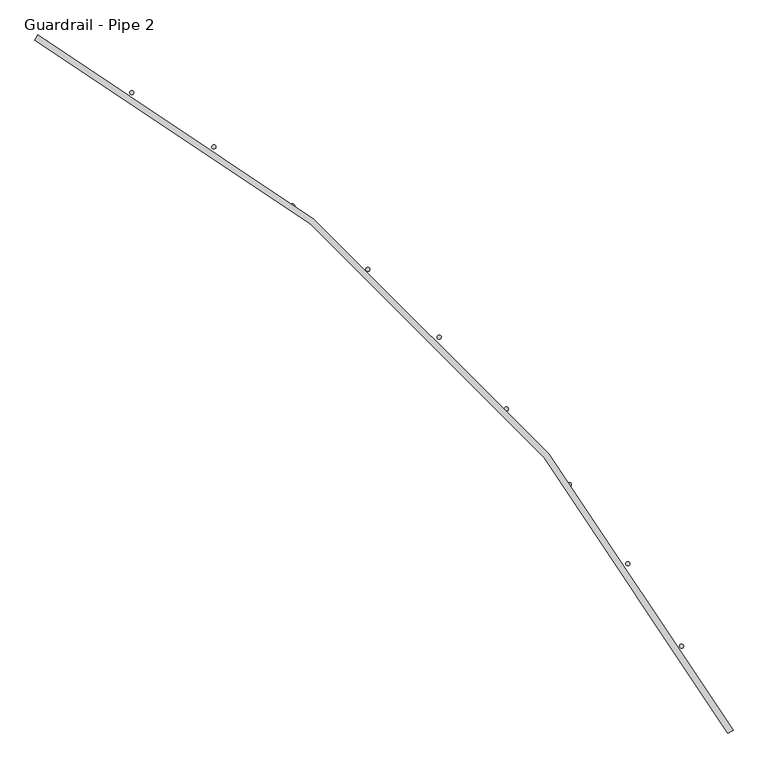
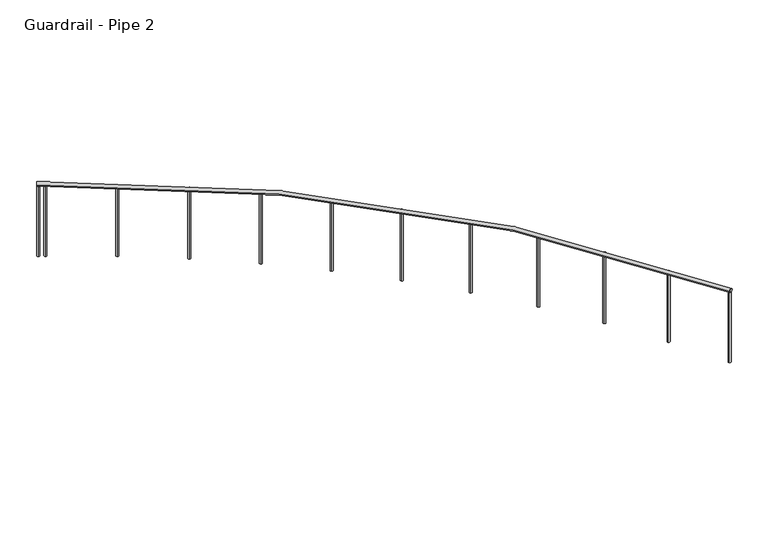
"""IFC4 building model written with IfcOpenShell, lengths in millimetres: railing geometry, Guardrail - Pipe 2."""

from ifc_helpers import new_model, si_unit, point, frame, frame_2d, origin, place, context, project, spatial, circle_curve, ellipse_curve, trimmed, segment, composite_curve, outline, extrude, source, transform, mapped, element, save
from ifc_brep_helpers import plane_surface, revolved_surface, advanced_brep


def guardrail_pipe_2_382d10c1(model_context):
    return source(origin(), model_context, "Body", "SolidModel", [
        advanced_brep(
        [(655055.048997, -250741.7639047, 5619.75), (659361.4695853, -255048.1844929, 5619.75), (659327.8519382, -255066.1139047, 5619.75), (655037.1195853, -250775.3815518, 5619.75)],
        [
            (0, 1, circle_curve(frame((650133.4254676, -259969.8080223, 5619.75), z_axis=(0.0, 0.0, -1.0), x_axis=(0.8823529411766796, 0.4705882352937256, 0.0)), 10458.45)),
            (1, 2, circle_curve(frame((659344.6607617, -255057.1491988, 5619.75), z_axis=(-0.47058823529372856, 0.8823529411766781, 0.0), x_axis=(-0.8823529411766781, -0.47058823529372856, 0.0)), 19.05)),
            (2, 3, circle_curve(frame((650133.4254676, -259969.8080223, 5619.75), z_axis=(0.0, 0.0, 1.0), x_axis=(0.8823529411766796, 0.4705882352937256, 0.0)), 10420.35)),
            (3, 0, circle_curve(frame((655046.0842911, -250758.5727282, 5619.75), z_axis=(0.8823529411766835, -0.47058823529371835, 0.0), x_axis=(-0.47058823529371835, -0.8823529411766835, 0.0)), 19.05)),
            (2, 1, circle_curve(frame((659344.6607617, -255057.1491988, 5619.75), z_axis=(-0.4705882352937315, 0.8823529411766765, 0.0), x_axis=(-0.8823529411766765, -0.4705882352937315, 0.0)), 19.05)),
            (0, 3, circle_curve(frame((655046.0842911, -250758.5727282, 5619.75), z_axis=(0.8823529411766888, -0.4705882352937084, 0.0), x_axis=(-0.4705882352937084, -0.8823529411766888, 0.0)), 19.05)),
        ],
        [
            revolved_surface(trimmed(ellipse_curve(frame((659344.6607617, -255057.1491988, 5619.75), z_axis=(0.4705882352937256, -0.8823529411766796, 0.0), x_axis=(-0.8823529411766796, -0.4705882352937256, 0.0)), 19.05, 19.05), [point((659327.8519382, -255066.1139047, 5619.75))], [point((659361.4695853, -255048.1844929, 5619.75))], True, "CARTESIAN"), (650133.4254676, -259969.8080223, 5638.8), (0.0, 0.0, 1.0)),
            revolved_surface(trimmed(ellipse_curve(frame((659344.6607617, -255057.1491988, 5619.75), z_axis=(0.4705882352937256, -0.8823529411766796, 0.0), x_axis=(-0.8823529411766796, -0.4705882352937256, 0.0)), 19.05, 19.05), [point((659361.4695853, -255048.1844929, 5619.75))], [point((659327.8519382, -255066.1139047, 5619.75))], True, "CARTESIAN"), (650133.4254676, -259969.8080223, 5638.8), (0.0, 0.0, 1.0)),
            plane_surface(frame((659344.6607617, -255057.1491988, 5638.8), z_axis=(0.4705882352937257, -0.8823529411766797, 0.0), x_axis=(0.8823529411766797, 0.4705882352937257, 0.0))),
            plane_surface(frame((655046.0842911, -250758.5727282, 5638.8), z_axis=(-0.8823529411766875, 0.47058823529371097, 0.0), x_axis=(0.47058823529371097, 0.8823529411766875, 0.0))),
        ],
        [
            (0, [[1, 2, 3, 4]]),
            (1, [[-3, 5, -1, 6]]),
            (2, [[-5, -2]]),
            (3, [[-4, -6]]),
        ],
    ),
        extrude(outline(composite_curve([segment(trimmed(circle_curve(frame_2d((655109.8920739, -250792.8884696)), 12.7), [point((655115.9461695, -250781.7243339))], [point((655103.8379783, -250804.0526054))], False, "CARTESIAN"), True, "CONTINUOUS"), segment(trimmed(circle_curve(frame_2d((655109.8920739, -250792.8884696)), 12.7), [point((655103.8379783, -250804.0526054))], [point((655115.9461695, -250781.7243339))], False, "CARTESIAN"), True, "CONTINUOUS")], self_intersect=False)), frame((0.0, 0.0, 4876.8), z_axis=(0.0, 0.0, 1.0), x_axis=(1.0, 0.0, 0.0)), (0.0, 0.0, 1.0), 723.9),
        extrude(outline(composite_curve([segment(trimmed(circle_curve(frame_2d((655636.9839318, -251098.9615807)), 12.7), [point((655643.6792584, -251088.1697967))], [point((655630.2886052, -251109.7533647))], False, "CARTESIAN"), True, "CONTINUOUS"), segment(trimmed(circle_curve(frame_2d((655636.9839318, -251098.9615807)), 12.7), [point((655630.2886052, -251109.7533647))], [point((655643.6792584, -251088.1697967))], False, "CARTESIAN"), True, "CONTINUOUS")], self_intersect=False)), frame((0.0, 0.0, 4876.8), z_axis=(0.0, 0.0, 1.0), x_axis=(1.0, 0.0, 0.0)), (0.0, 0.0, 1.0), 723.9),
        extrude(outline(composite_curve([segment(trimmed(circle_curve(frame_2d((656145.3146589, -251435.2746015)), 12.7), [point((656152.6283927, -251424.8919574))], [point((656138.000925, -251445.6572455))], False, "CARTESIAN"), True, "CONTINUOUS"), segment(trimmed(circle_curve(frame_2d((656145.3146589, -251435.2746015)), 12.7), [point((656138.000925, -251445.6572455))], [point((656152.6283927, -251424.8919574))], False, "CARTESIAN"), True, "CONTINUOUS")], self_intersect=False)), frame((0.0, 0.0, 4876.8), z_axis=(0.0, 0.0, 1.0), x_axis=(1.0, 0.0, 0.0)), (0.0, 0.0, 1.0), 723.9),
        extrude(outline(composite_curve([segment(trimmed(circle_curve(frame_2d((656633.1514018, -251800.6810714)), 12.7), [point((656641.0586109, -251790.7429607))], [point((656625.2441926, -251810.619182))], False, "CARTESIAN"), True, "CONTINUOUS"), segment(trimmed(circle_curve(frame_2d((656633.1514018, -251800.6810714)), 12.7), [point((656625.2441926, -251810.619182))], [point((656641.0586109, -251790.7429607))], False, "CARTESIAN"), True, "CONTINUOUS")], self_intersect=False)), frame((0.0, 0.0, 4876.8), z_axis=(0.0, 0.0, 1.0), x_axis=(1.0, 0.0, 0.0)), (0.0, 0.0, 1.0), 723.9),
        extrude(outline(composite_curve([segment(trimmed(circle_curve(frame_2d((657098.8311694, -252193.935353)), 12.7), [point((657107.3048989, -252184.4756539))], [point((657090.3574398, -252203.3950521))], False, "CARTESIAN"), True, "CONTINUOUS"), segment(trimmed(circle_curve(frame_2d((657098.8311694, -252193.935353)), 12.7), [point((657090.3574398, -252203.3950521))], [point((657107.3048989, -252184.4756539))], False, "CARTESIAN"), True, "CONTINUOUS")], self_intersect=False)), frame((0.0, 0.0, 4876.8), z_axis=(0.0, 0.0, 1.0), x_axis=(1.0, 0.0, 0.0)), (0.0, 0.0, 1.0), 723.9),
        extrude(outline(composite_curve([segment(trimmed(circle_curve(frame_2d((657540.7665017, -252613.6968782)), 12.7), [point((657549.7778655, -252604.7478379))], [point((657531.7551379, -252622.6459185))], False, "CARTESIAN"), True, "CONTINUOUS"), segment(trimmed(circle_curve(frame_2d((657540.7665017, -252613.6968782)), 12.7), [point((657531.7551379, -252622.6459185))], [point((657549.7778655, -252604.7478379))], False, "CARTESIAN"), True, "CONTINUOUS")], self_intersect=False)), frame((0.0, 0.0, 4876.8), z_axis=(0.0, 0.0, 1.0), x_axis=(1.0, 0.0, 0.0)), (0.0, 0.0, 1.0), 723.9),
        extrude(outline(composite_curve([segment(trimmed(circle_curve(frame_2d((657957.4508813, -253058.5347181)), 12.7), [point((657966.9691604, -253050.126843))], [point((657947.9326022, -253066.9425932))], False, "CARTESIAN"), True, "CONTINUOUS"), segment(trimmed(circle_curve(frame_2d((657957.4508813, -253058.5347181)), 12.7), [point((657947.9326022, -253066.9425932))], [point((657966.9691604, -253050.126843))], False, "CARTESIAN"), True, "CONTINUOUS")], self_intersect=False)), frame((0.0, 0.0, 4876.8), z_axis=(0.0, 0.0, 1.0), x_axis=(1.0, 0.0, 0.0)), (0.0, 0.0, 1.0), 723.9),
        extrude(outline(composite_curve([segment(trimmed(circle_curve(frame_2d((658347.463869, -253526.9324609)), 12.7), [point((658357.4566164, -253519.0944127))], [point((658337.4711215, -253534.770509))], False, "CARTESIAN"), True, "CONTINUOUS"), segment(trimmed(circle_curve(frame_2d((658347.463869, -253526.9324609)), 12.7), [point((658337.4711215, -253534.770509))], [point((658357.4566164, -253519.0944127))], False, "CARTESIAN"), True, "CONTINUOUS")], self_intersect=False)), frame((0.0, 0.0, 4876.8), z_axis=(0.0, 0.0, 1.0), x_axis=(1.0, 0.0, 0.0)), (0.0, 0.0, 1.0), 723.9),
        extrude(outline(composite_curve([segment(trimmed(circle_curve(frame_2d((658709.4759459, -254017.2933811)), 12.7), [point((658719.9090973, -254010.0518792))], [point((658699.0427945, -254024.5348831))], False, "CARTESIAN"), True, "CONTINUOUS"), segment(trimmed(circle_curve(frame_2d((658709.4759459, -254017.2933811)), 12.7), [point((658699.0427945, -254024.5348831))], [point((658719.9090973, -254010.0518792))], False, "CARTESIAN"), True, "CONTINUOUS")], self_intersect=False)), frame((0.0, 0.0, 4876.8), z_axis=(0.0, 0.0, 1.0), x_axis=(1.0, 0.0, 0.0)), (0.0, 0.0, 1.0), 723.9),
        extrude(outline(composite_curve([segment(trimmed(circle_curve(frame_2d((659042.2530458, -254527.9458831)), 12.7), [point((659053.0910355, -254521.3256129))], [point((659031.415056, -254534.5661534))], False, "CARTESIAN"), True, "CONTINUOUS"), segment(trimmed(circle_curve(frame_2d((659042.2530458, -254527.9458831)), 12.7), [point((659031.415056, -254534.5661534))], [point((659053.0910355, -254521.3256129))], False, "CARTESIAN"), True, "CONTINUOUS")], self_intersect=False)), frame((0.0, 0.0, 4876.8), z_axis=(0.0, 0.0, 1.0), x_axis=(1.0, 0.0, 0.0)), (0.0, 0.0, 1.0), 723.9),
        extrude(outline(composite_curve([segment(trimmed(circle_curve(frame_2d((655057.2865354, -250764.5560136)), 12.7), [point((655063.276634, -250753.3574102))], [point((655051.2964368, -250775.754617))], False, "CARTESIAN"), True, "CONTINUOUS"), segment(trimmed(circle_curve(frame_2d((655057.2865354, -250764.5560136)), 12.7), [point((655051.2964368, -250775.754617))], [point((655063.276634, -250753.3574102))], False, "CARTESIAN"), True, "CONTINUOUS")], self_intersect=False)), frame((0.0, 0.0, 4876.8), z_axis=(0.0, 0.0, 1.0), x_axis=(1.0, 0.0, 0.0)), (0.0, 0.0, 1.0), 723.9),
        extrude(outline(composite_curve([segment(trimmed(circle_curve(frame_2d((659338.6774764, -255045.9469546)), 12.7), [point((659349.8760798, -255039.9568559))], [point((659327.478873, -255051.9370532))], False, "CARTESIAN"), True, "CONTINUOUS"), segment(trimmed(circle_curve(frame_2d((659338.6774764, -255045.9469546)), 12.7), [point((659327.478873, -255051.9370532))], [point((659349.8760798, -255039.9568559))], False, "CARTESIAN"), True, "CONTINUOUS")], self_intersect=False)), frame((0.0, 0.0, 4876.8), z_axis=(0.0, 0.0, 1.0), x_axis=(1.0, 0.0, 0.0)), (0.0, 0.0, 1.0), 723.9),
    ])


if __name__ == "__main__":
    model = new_model("IFC4")
    model_context = context("Model", 3, world=origin())
    ifc_project = project(units=[si_unit("LENGTHUNIT", "METRE", prefix="MILLI")], contexts=[model_context])
    site = spatial("IfcSite", under=ifc_project)
    building = spatial("IfcBuilding", under=site)
    placement = place(None, origin())
    guardrail_pipe_2_shape = guardrail_pipe_2_382d10c1(model_context)
    element("IfcRailing", 1, ObjectType="Guardrail - Pipe 2", at=placement, inside=building, context=model_context, shape_type="MappedRepresentation", body=[
        mapped(guardrail_pipe_2_shape, transform((0.0, 0.0, 0.0), x_axis=(1.0, 0.0, 0.0), y_axis=(0.0, 1.0, 0.0), z_axis=(0.0, 0.0, 1.0))),
    ])
    save(model, "model.ifc")
